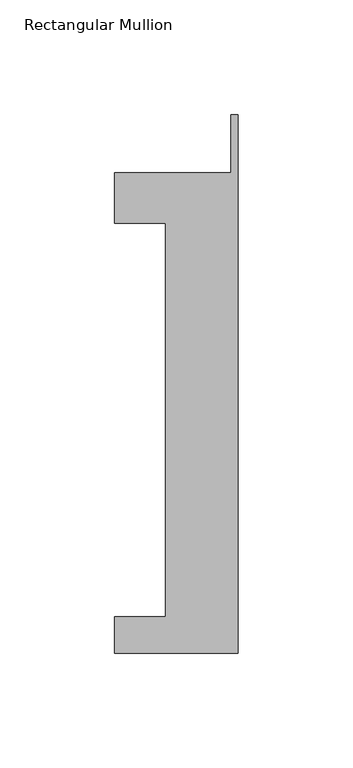
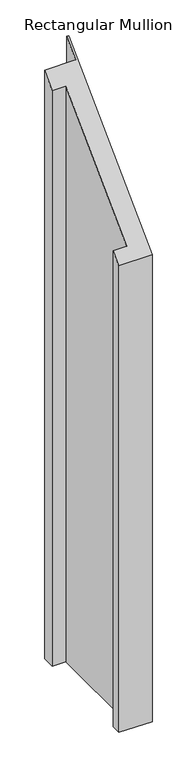
"""IFC4 building model written with IfcOpenShell, lengths in millimetres: member geometry, Rectangular Mullion."""

import ifcopenshell
import ifcopenshell.guid

model = None  # the IFC model being written
_history = None  # IfcOwnerHistory: only IFC2X3 demands one
_inside = {}  # id of a spatial element -> (the spatial element, [elements in it])
_under = {}  # id of a project, library or spatial element -> (it, [spatial elements below it])
_declared = {}  # id of a project -> (the project, [libraries it declares])
_typed = {}  # id of a type object -> (the type object, [elements of that type])
_made_of = {}  # id of a material, layer set ... -> (it, [elements and type objects made of it])


def new_model(schema):
    """Start an empty IFC model of exactly this schema.

    Asked for "IFC4X3", IfcOpenShell would pick the latest addendum, in which some entities
    have other attributes; the version numbers below select the first issue.
    IFC2X3 requires an IfcOwnerHistory on every rooted entity: one is made here for all.
    """
    global model, _history
    if schema == "IFC4X3":
        model = ifcopenshell.file(schema_version=(4, 3, 0, 0))
    else:
        model = ifcopenshell.file(schema=schema)
    _inside.clear()
    _under.clear()
    _declared.clear()
    _typed.clear()
    _made_of.clear()
    _history = None
    if model.schema == "IFC2X3":
        org = make("IfcOrganization", Name="unknown")
        user = make(
            "IfcPersonAndOrganization",
            ThePerson=make("IfcPerson", FamilyName="unknown"),
            TheOrganization=org,
        )
        app = make(
            "IfcApplication",
            ApplicationDeveloper=org,
            Version="unknown",
            ApplicationFullName="unknown",
            ApplicationIdentifier="unknown",
        )
        _history = make(
            "IfcOwnerHistory",
            OwningUser=user,
            OwningApplication=app,
            ChangeAction="ADDED",
            CreationDate=0,
        )
    return model


def make(cls, **values):
    """One entity of the class cls with the attributes given. An attribute that is None is left unset."""
    return model.create_entity(
        cls, **{name: value for name, value in values.items() if value is not None}
    )


def rooted(cls, **values):
    """An entity with a GlobalId (a new one), such as an element, a storey or a relation."""
    return make(cls, GlobalId=ifcopenshell.guid.new(), OwnerHistory=_history, **values)


def si_unit(unit_type, name, prefix=None):
    """IfcSIUnit, for example si_unit("LENGTHUNIT", "METRE", prefix="MILLI")."""
    return make("IfcSIUnit", UnitType=unit_type, Prefix=prefix, Name=name)


def assignment(units):
    """IfcUnitAssignment: the units of a project."""
    return None if units is None else make("IfcUnitAssignment", Units=units)


def point(xyz):
    """IfcCartesianPoint."""
    return None if xyz is None else make("IfcCartesianPoint", Coordinates=xyz)


def direction(xyz):
    """IfcDirection."""
    return None if xyz is None else make("IfcDirection", DirectionRatios=xyz)


def frame(location, z_axis=None, x_axis=None):
    """IfcAxis2Placement3D, a coordinate frame: its origin and axes. An axis left out is left unset."""
    return make(
        "IfcAxis2Placement3D",
        Location=point(location),
        Axis=direction(z_axis),
        RefDirection=direction(x_axis),
    )


def origin():
    """The frame at (0, 0, 0) with its axes left unset."""
    return frame((0.0, 0.0, 0.0))


def place(relative_to, where):
    """IfcLocalPlacement: puts the frame where relative to a parent placement (None: the world)."""
    return make(
        "IfcLocalPlacement", PlacementRelTo=relative_to, RelativePlacement=where
    )


def context(
    kind, dimensions, precision=None, world=None, true_north=None, identifier=None
):
    """IfcGeometricRepresentationContext, for example the 3D "Model" context."""
    return make(
        "IfcGeometricRepresentationContext",
        ContextIdentifier=identifier,
        ContextType=kind,
        CoordinateSpaceDimension=dimensions,
        Precision=precision,
        WorldCoordinateSystem=world,
        TrueNorth=true_north,
    )


def project(units=None, contexts=None):
    """IfcProject with its units and contexts."""
    return rooted(
        "IfcProject",
        Name="project",
        RepresentationContexts=contexts,
        UnitsInContext=assignment(units),
    )


def spatial(cls, under=None, at=None, **own):
    """A site, building, storey or space (cls), placed at a placement, below another one or the project."""
    s = rooted(cls, ObjectPlacement=at, **own)
    if under is not None:
        _under.setdefault(under.id(), (under, []))[1].append(s)
    return s


def faces_of(points, faces, orient=None, outer=None):
    """IfcFace entities. A face is a list of loops; a loop is a list of indices into points, from 0.

    orient and outer hold one flag for each loop. By default every Orientation is true, the
    first loop of a face is its IfcFaceOuterBound and the others are IfcFaceBound.
    """
    made = []
    for i, loops in enumerate(faces):
        bounds = []
        for j, loop in enumerate(loops):
            is_outer = j == 0 if outer is None else outer[i][j]
            bounds.append(
                make(
                    "IfcFaceOuterBound" if is_outer else "IfcFaceBound",
                    Bound=make("IfcPolyLoop", Polygon=[points[k] for k in loop]),
                    Orientation=True if orient is None else orient[i][j],
                )
            )
        made.append(make("IfcFace", Bounds=bounds))
    return made


def faceted_brep(points, faces, orient=None, outer=None, voids=None):
    """IfcFacetedBrep: a solid bounded by flat faces; with voids (closed shells), ...WithVoids."""
    shared = [point(p) for p in points]
    hull = make("IfcClosedShell", CfsFaces=faces_of(shared, faces, orient, outer))
    if voids is None:
        return make("IfcFacetedBrep", Outer=hull)
    return make(
        "IfcFacetedBrepWithVoids",
        Outer=hull,
        Voids=[
            make(cls, CfsFaces=faces_of(shared, fs, o, b)) for cls, fs, o, b in voids
        ],
    )


def shape(context_of_items, identifier, shape_type, items):
    """IfcShapeRepresentation: the items that make up one representation, for example the "Body"."""
    return make(
        "IfcShapeRepresentation",
        ContextOfItems=context_of_items,
        RepresentationIdentifier=identifier,
        RepresentationType=shape_type,
        Items=items,
    )


def source(mapping_origin, context_of_items, identifier, shape_type, items):
    """IfcRepresentationMap: a shape defined once, which mapped items show again and again."""
    return make(
        "IfcRepresentationMap",
        MappingOrigin=mapping_origin,
        MappedRepresentation=shape(context_of_items, identifier, shape_type, items),
    )


def transform(
    local_origin,
    x_axis=None,
    y_axis=None,
    z_axis=None,
    scale=None,
    scale2=None,
    scale3=None,
    uniform=True,
):
    """IfcCartesianTransformationOperator3D, or its non-uniform kind. x_axis, y_axis, z_axis: its Axis1, 2, 3."""
    if uniform:
        return make(
            "IfcCartesianTransformationOperator3D",
            Axis1=direction(x_axis),
            Axis2=direction(y_axis),
            LocalOrigin=point(local_origin),
            Scale=scale,
            Axis3=direction(z_axis),
        )
    return make(
        "IfcCartesianTransformationOperator3DnonUniform",
        Axis1=direction(x_axis),
        Axis2=direction(y_axis),
        LocalOrigin=point(local_origin),
        Scale=scale,
        Axis3=direction(z_axis),
        Scale2=scale2,
        Scale3=scale3,
    )


def mapped(mapping_source, mapping_target):
    """IfcMappedItem: shows the shape of a source again, moved by a transform."""
    return make(
        "IfcMappedItem", MappingSource=mapping_source, MappingTarget=mapping_target
    )


def made_of(thing, what):
    """Note that an element or type object is made of a material, layer set ...; save() writes the relation."""
    if what is not None:
        _made_of.setdefault(what.id(), (what, []))[1].append(thing)
    return thing


def element(
    cls,
    number,
    at=None,
    inside=None,
    cuts=None,
    type_object=None,
    material=None,
    context=None,
    identifier="Body",
    shape_type=None,
    held_by="IfcProductDefinitionShape",
    body=None,
    shapes=None,
    **own,
):
    """One element of the class cls, such as IfcWall. Its Tag is "e" and its number.

    at: its placement. inside: the storey or other place that contains it. cuts: it is an
    opening in that element (IfcRelVoidsElement). A single representation is given by context,
    identifier, shape_type and body (its items); several are given by shapes. held_by: the class
    of the entity that holds the representations. save() writes the other relations.
    """
    e = rooted(cls, Tag="e%d" % number, ObjectPlacement=at, **own)
    if body is not None:
        shapes = [shape(context, identifier, shape_type, body)]
    if shapes is not None:
        e.Representation = make(held_by, Representations=shapes)
    if inside is not None:
        _inside.setdefault(inside.id(), (inside, []))[1].append(e)
    if cuts is not None:
        rooted(
            "IfcRelVoidsElement", RelatingBuildingElement=cuts, RelatedOpeningElement=e
        )
    if type_object is not None:
        _typed.setdefault(type_object.id(), (type_object, []))[1].append(e)
    return made_of(e, material)


def aggregate(whole, parts):
    """IfcRelAggregates: a whole, such as a stair, and the parts it consists of."""
    return rooted("IfcRelAggregates", RelatingObject=whole, RelatedObjects=parts)


def save(model, path):
    """Write the relations noted so far, then the file.

    IfcRelAggregates (storeys below a building ...), IfcRelContainedInSpatialStructure (elements
    in a storey), IfcRelDefinesByType, IfcRelAssociatesMaterial and IfcRelDeclares: one each for
    every whole, place, type object, material and project.
    """
    for whole, parts in _under.values():
        aggregate(whole, parts)
    for where, things in _inside.values():
        rooted(
            "IfcRelContainedInSpatialStructure",
            RelatedElements=things,
            RelatingStructure=where,
        )
    for kind, things in _typed.values():
        rooted("IfcRelDefinesByType", RelatedObjects=things, RelatingType=kind)
    for what, things in _made_of.values():
        rooted("IfcRelAssociatesMaterial", RelatedObjects=things, RelatingMaterial=what)
    for by, libraries in _declared.values():
        rooted("IfcRelDeclares", RelatingContext=by, RelatedDefinitions=libraries)
    model.write(path)


def rectangular_mullion_9e4651c4(model_context):
    return source(origin(), model_context, "Body", "Brep", [
        faceted_brep([(-53.975, -221.996, -1024.4666667), (-53.975, -206.121, -1024.4666667), (-31.75, -206.121, -1024.4666667), (-31.75, -34.671, -1024.4666667), (-53.975, -34.671, -1024.4666667), (-53.975, -12.7, -1024.4666667), (-3.175, -12.7, -1024.4666667), (-3.175, 12.7, -1024.4666667), (0.0, 12.7, -1024.4666667), (0.0, -221.996, -1024.4666667), (0.0, -221.996, -221.996), (-53.975, -221.996, -221.996), (0.0, 12.7, 12.7), (-3.175, 12.7, 12.7), (-3.175, -12.7, -12.7), (-53.975, -12.7, -12.7), (-53.975, -34.671, -34.671), (-31.75, -34.671, -34.671), (-31.75, -206.121, -206.121), (-53.975, -206.121, -206.121)], [[[0, 1, 2, 3, 4, 5, 6, 7, 8, 9]], [[10, 11, 0, 9]], [[12, 10, 9, 8]], [[13, 12, 8, 7]], [[14, 13, 7, 6]], [[15, 14, 6, 5]], [[16, 15, 5, 4]], [[17, 16, 4, 3]], [[18, 17, 3, 2]], [[19, 18, 2, 1]], [[11, 19, 1, 0]], [[11, 10, 12, 13, 14, 15, 16, 17, 18, 19]]]),
    ])


if __name__ == "__main__":
    model = new_model("IFC4")
    model_context = context("Model", 3, world=origin())
    ifc_project = project(units=[si_unit("LENGTHUNIT", "METRE", prefix="MILLI")], contexts=[model_context])
    site = spatial("IfcSite", under=ifc_project)
    building = spatial("IfcBuilding", under=site)
    placement = place(None, origin())
    rectangular_mullion_shape = rectangular_mullion_9e4651c4(model_context)
    element("IfcMember", 1, ObjectType="Rectangular Mullion", at=placement, inside=building, context=model_context, shape_type="MappedRepresentation", body=[
        mapped(rectangular_mullion_shape, transform((0.0, 0.0, 0.0), x_axis=(1.0, 0.0, 0.0), y_axis=(0.0, 1.0, 0.0), z_axis=(0.0, 0.0, 1.0))),
    ])
    save(model, "model.ifc")
